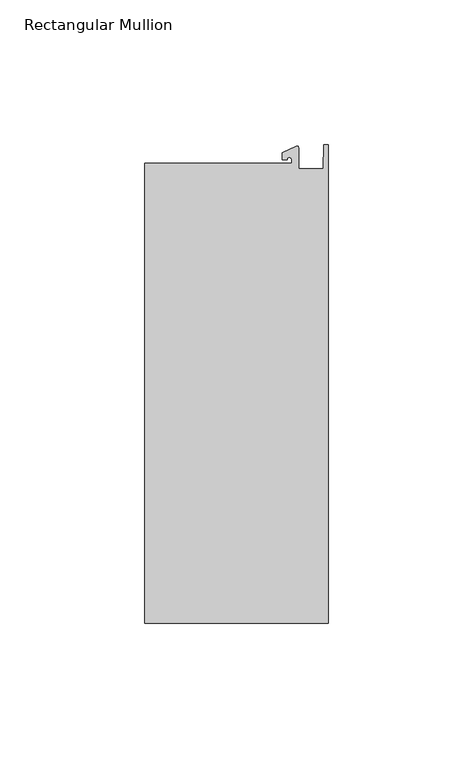
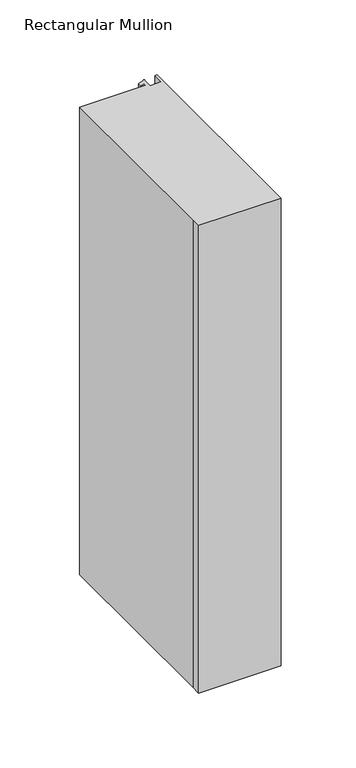
"""IFC4 building model written with IfcOpenShell, lengths in millimetres: member geometry, Rectangular Mullion."""

import ifcopenshell
import ifcopenshell.guid

model = None  # the IFC model being written
_history = None  # IfcOwnerHistory: only IFC2X3 demands one
_inside = {}  # id of a spatial element -> (the spatial element, [elements in it])
_under = {}  # id of a project, library or spatial element -> (it, [spatial elements below it])
_declared = {}  # id of a project -> (the project, [libraries it declares])
_typed = {}  # id of a type object -> (the type object, [elements of that type])
_made_of = {}  # id of a material, layer set ... -> (it, [elements and type objects made of it])


def new_model(schema):
    """Start an empty IFC model of exactly this schema.

    Asked for "IFC4X3", IfcOpenShell would pick the latest addendum, in which some entities
    have other attributes; the version numbers below select the first issue.
    IFC2X3 requires an IfcOwnerHistory on every rooted entity: one is made here for all.
    """
    global model, _history
    if schema == "IFC4X3":
        model = ifcopenshell.file(schema_version=(4, 3, 0, 0))
    else:
        model = ifcopenshell.file(schema=schema)
    _inside.clear()
    _under.clear()
    _declared.clear()
    _typed.clear()
    _made_of.clear()
    _history = None
    if model.schema == "IFC2X3":
        org = make("IfcOrganization", Name="unknown")
        user = make(
            "IfcPersonAndOrganization",
            ThePerson=make("IfcPerson", FamilyName="unknown"),
            TheOrganization=org,
        )
        app = make(
            "IfcApplication",
            ApplicationDeveloper=org,
            Version="unknown",
            ApplicationFullName="unknown",
            ApplicationIdentifier="unknown",
        )
        _history = make(
            "IfcOwnerHistory",
            OwningUser=user,
            OwningApplication=app,
            ChangeAction="ADDED",
            CreationDate=0,
        )
    return model


def make(cls, **values):
    """One entity of the class cls with the attributes given. An attribute that is None is left unset."""
    return model.create_entity(
        cls, **{name: value for name, value in values.items() if value is not None}
    )


def rooted(cls, **values):
    """An entity with a GlobalId (a new one), such as an element, a storey or a relation."""
    return make(cls, GlobalId=ifcopenshell.guid.new(), OwnerHistory=_history, **values)


def si_unit(unit_type, name, prefix=None):
    """IfcSIUnit, for example si_unit("LENGTHUNIT", "METRE", prefix="MILLI")."""
    return make("IfcSIUnit", UnitType=unit_type, Prefix=prefix, Name=name)


def assignment(units):
    """IfcUnitAssignment: the units of a project."""
    return None if units is None else make("IfcUnitAssignment", Units=units)


def point(xyz):
    """IfcCartesianPoint."""
    return None if xyz is None else make("IfcCartesianPoint", Coordinates=xyz)


def direction(xyz):
    """IfcDirection."""
    return None if xyz is None else make("IfcDirection", DirectionRatios=xyz)


def frame(location, z_axis=None, x_axis=None):
    """IfcAxis2Placement3D, a coordinate frame: its origin and axes. An axis left out is left unset."""
    return make(
        "IfcAxis2Placement3D",
        Location=point(location),
        Axis=direction(z_axis),
        RefDirection=direction(x_axis),
    )


def frame_2d(location, x_axis=None):
    """IfcAxis2Placement2D, a coordinate frame in the plane: its origin and x axis."""
    return make(
        "IfcAxis2Placement2D", Location=point(location), RefDirection=direction(x_axis)
    )


def origin():
    """The frame at (0, 0, 0) with its axes left unset."""
    return frame((0.0, 0.0, 0.0))


def place(relative_to, where):
    """IfcLocalPlacement: puts the frame where relative to a parent placement (None: the world)."""
    return make(
        "IfcLocalPlacement", PlacementRelTo=relative_to, RelativePlacement=where
    )


def context(
    kind, dimensions, precision=None, world=None, true_north=None, identifier=None
):
    """IfcGeometricRepresentationContext, for example the 3D "Model" context."""
    return make(
        "IfcGeometricRepresentationContext",
        ContextIdentifier=identifier,
        ContextType=kind,
        CoordinateSpaceDimension=dimensions,
        Precision=precision,
        WorldCoordinateSystem=world,
        TrueNorth=true_north,
    )


def project(units=None, contexts=None):
    """IfcProject with its units and contexts."""
    return rooted(
        "IfcProject",
        Name="project",
        RepresentationContexts=contexts,
        UnitsInContext=assignment(units),
    )


def spatial(cls, under=None, at=None, **own):
    """A site, building, storey or space (cls), placed at a placement, below another one or the project."""
    s = rooted(cls, ObjectPlacement=at, **own)
    if under is not None:
        _under.setdefault(under.id(), (under, []))[1].append(s)
    return s


def polyline(points):
    """IfcPolyline through the points."""
    return make("IfcPolyline", Points=[point(p) for p in points])


def circle_curve(where, radius):
    """IfcCircle in the frame where."""
    return make("IfcCircle", Position=where, Radius=radius)


def trimmed(basis, trim1, trim2, sense, master):
    """IfcTrimmedCurve: the piece of a basis curve between two trims."""
    return make(
        "IfcTrimmedCurve",
        BasisCurve=basis,
        Trim1=trim1,
        Trim2=trim2,
        SenseAgreement=sense,
        MasterRepresentation=master,
    )


def segment(curve, same_sense, transition):
    """IfcCompositeCurveSegment."""
    return make(
        "IfcCompositeCurveSegment",
        Transition=transition,
        SameSense=same_sense,
        ParentCurve=curve,
    )


def composite_curve(segments, self_intersect=None):
    """IfcCompositeCurve: segments joined end to end."""
    return make("IfcCompositeCurve", Segments=segments, SelfIntersect=self_intersect)


def outline(outer, holes=None, kind="AREA"):
    """IfcArbitraryClosedProfileDef: a profile drawn as a closed curve; with holes, ...WithVoids."""
    if holes is None:
        return make("IfcArbitraryClosedProfileDef", ProfileType=kind, OuterCurve=outer)
    return make(
        "IfcArbitraryProfileDefWithVoids",
        ProfileType=kind,
        OuterCurve=outer,
        InnerCurves=holes,
    )


def extrude(swept, where, along, depth):
    """IfcExtrudedAreaSolid: the profile swept, set in the frame where, extruded along a direction by depth."""
    return make(
        "IfcExtrudedAreaSolid",
        SweptArea=swept,
        Position=where,
        ExtrudedDirection=direction(along),
        Depth=depth,
    )


def shape(context_of_items, identifier, shape_type, items):
    """IfcShapeRepresentation: the items that make up one representation, for example the "Body"."""
    return make(
        "IfcShapeRepresentation",
        ContextOfItems=context_of_items,
        RepresentationIdentifier=identifier,
        RepresentationType=shape_type,
        Items=items,
    )


def source(mapping_origin, context_of_items, identifier, shape_type, items):
    """IfcRepresentationMap: a shape defined once, which mapped items show again and again."""
    return make(
        "IfcRepresentationMap",
        MappingOrigin=mapping_origin,
        MappedRepresentation=shape(context_of_items, identifier, shape_type, items),
    )


def transform(
    local_origin,
    x_axis=None,
    y_axis=None,
    z_axis=None,
    scale=None,
    scale2=None,
    scale3=None,
    uniform=True,
):
    """IfcCartesianTransformationOperator3D, or its non-uniform kind. x_axis, y_axis, z_axis: its Axis1, 2, 3."""
    if uniform:
        return make(
            "IfcCartesianTransformationOperator3D",
            Axis1=direction(x_axis),
            Axis2=direction(y_axis),
            LocalOrigin=point(local_origin),
            Scale=scale,
            Axis3=direction(z_axis),
        )
    return make(
        "IfcCartesianTransformationOperator3DnonUniform",
        Axis1=direction(x_axis),
        Axis2=direction(y_axis),
        LocalOrigin=point(local_origin),
        Scale=scale,
        Axis3=direction(z_axis),
        Scale2=scale2,
        Scale3=scale3,
    )


def mapped(mapping_source, mapping_target):
    """IfcMappedItem: shows the shape of a source again, moved by a transform."""
    return make(
        "IfcMappedItem", MappingSource=mapping_source, MappingTarget=mapping_target
    )


def made_of(thing, what):
    """Note that an element or type object is made of a material, layer set ...; save() writes the relation."""
    if what is not None:
        _made_of.setdefault(what.id(), (what, []))[1].append(thing)
    return thing


def element(
    cls,
    number,
    at=None,
    inside=None,
    cuts=None,
    type_object=None,
    material=None,
    context=None,
    identifier="Body",
    shape_type=None,
    held_by="IfcProductDefinitionShape",
    body=None,
    shapes=None,
    **own,
):
    """One element of the class cls, such as IfcWall. Its Tag is "e" and its number.

    at: its placement. inside: the storey or other place that contains it. cuts: it is an
    opening in that element (IfcRelVoidsElement). A single representation is given by context,
    identifier, shape_type and body (its items); several are given by shapes. held_by: the class
    of the entity that holds the representations. save() writes the other relations.
    """
    e = rooted(cls, Tag="e%d" % number, ObjectPlacement=at, **own)
    if body is not None:
        shapes = [shape(context, identifier, shape_type, body)]
    if shapes is not None:
        e.Representation = make(held_by, Representations=shapes)
    if inside is not None:
        _inside.setdefault(inside.id(), (inside, []))[1].append(e)
    if cuts is not None:
        rooted(
            "IfcRelVoidsElement", RelatingBuildingElement=cuts, RelatedOpeningElement=e
        )
    if type_object is not None:
        _typed.setdefault(type_object.id(), (type_object, []))[1].append(e)
    return made_of(e, material)


def aggregate(whole, parts):
    """IfcRelAggregates: a whole, such as a stair, and the parts it consists of."""
    return rooted("IfcRelAggregates", RelatingObject=whole, RelatedObjects=parts)


def save(model, path):
    """Write the relations noted so far, then the file.

    IfcRelAggregates (storeys below a building ...), IfcRelContainedInSpatialStructure (elements
    in a storey), IfcRelDefinesByType, IfcRelAssociatesMaterial and IfcRelDeclares: one each for
    every whole, place, type object, material and project.
    """
    for whole, parts in _under.values():
        aggregate(whole, parts)
    for where, things in _inside.values():
        rooted(
            "IfcRelContainedInSpatialStructure",
            RelatedElements=things,
            RelatingStructure=where,
        )
    for kind, things in _typed.values():
        rooted("IfcRelDefinesByType", RelatedObjects=things, RelatingType=kind)
    for what, things in _made_of.values():
        rooted("IfcRelAssociatesMaterial", RelatedObjects=things, RelatingMaterial=what)
    for by, libraries in _declared.values():
        rooted("IfcRelDeclares", RelatingContext=by, RelatedDefinitions=libraries)
    model.write(path)


def rectangular_mullion_4744f7c0(model_context):
    return source(origin(), model_context, "Body", "SweptSolid", [
        extrude(outline(composite_curve([segment(polyline([(-12.6173814, 25.796875), (-12.6173814, 27.0827507)]), True, "CONTINUOUS"), segment(trimmed(circle_curve(frame_2d((-13.4111314, 27.0827507)), 0.79375), [point((-12.6173814, 27.0827507))], [point((-14.2048814, 27.0827507))], True, "CARTESIAN"), True, "CONTINUOUS"), segment(polyline([(-14.2048814, 27.0827507), (-15.7923814, 27.0827507), (-15.7923814, 29.44495), (-10.9524715, 31.7018371)]), True, "CONTINUOUS"), segment(trimmed(circle_curve(frame_2d((-10.7377814, 31.2414327)), 0.508), [point((-10.9524715, 31.7018371))], [point((-10.2297814, 31.2414327))], False, "CARTESIAN"), True, "CONTINUOUS"), segment(polyline([(-10.2297814, 31.2414327), (-10.2297814, 23.9227662), (-1.7144124, 23.9227662), (-1.5658966, 32.288874), (0.0, 32.288874), (0.0, -133.34365), (-63.5, -133.34365), (-63.5, -125.8081374), (-63.5, 25.796875), (-12.6173814, 25.796875)]), True, "CONTINUOUS")], self_intersect=False)), frame((0.0, 0.0, -381.0), z_axis=(0.0, 0.0, 1.0), x_axis=(1.0, 0.0, 0.0)), (0.0, 0.0, 1.0), 381.0),
    ])


if __name__ == "__main__":
    model = new_model("IFC4")
    model_context = context("Model", 3, world=origin())
    ifc_project = project(units=[si_unit("LENGTHUNIT", "METRE", prefix="MILLI")], contexts=[model_context])
    site = spatial("IfcSite", under=ifc_project)
    building = spatial("IfcBuilding", under=site)
    placement = place(None, origin())
    rectangular_mullion_shape = rectangular_mullion_4744f7c0(model_context)
    element("IfcMember", 1, ObjectType="Rectangular Mullion", at=placement, inside=building, context=model_context, shape_type="MappedRepresentation", body=[
        mapped(rectangular_mullion_shape, transform((0.0, 0.0, 0.0), x_axis=(1.0, 0.0, 0.0), y_axis=(0.0, 1.0, 0.0), z_axis=(0.0, 0.0, 1.0))),
    ])
    save(model, "model.ifc")
